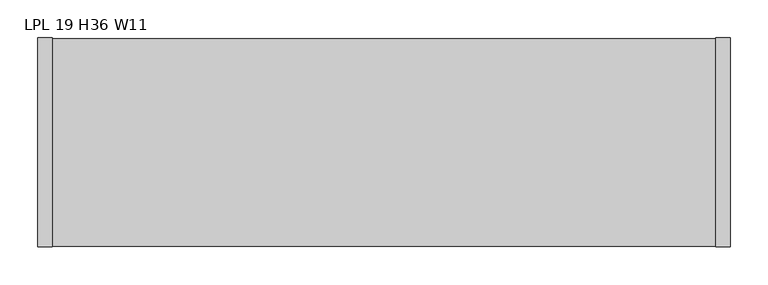
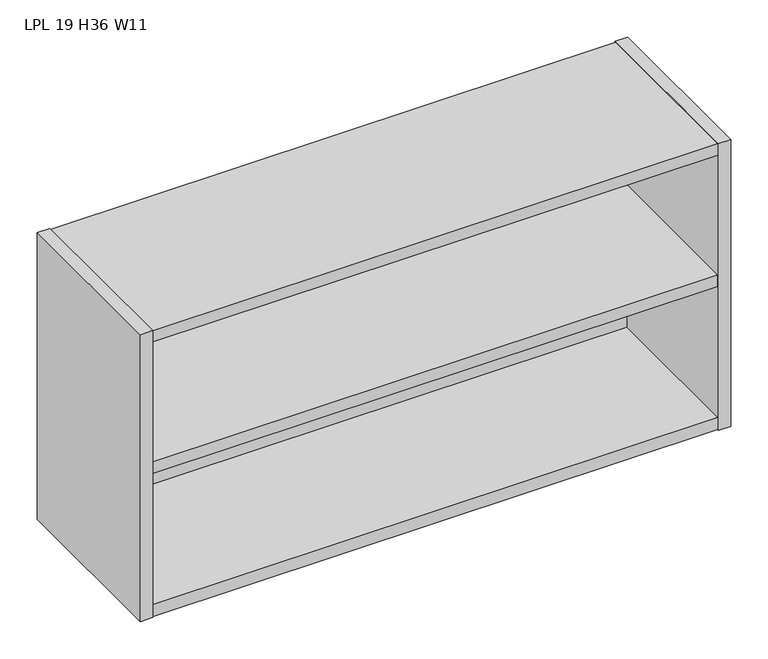
"""IFC4 building model written with IfcOpenShell, lengths in millimetres: furniture geometry, LPL 19 H36 W11."""

from ifc_helpers import new_model, si_unit, point, frame, frame_2d, origin, place, context, project, spatial, polyline, circle_curve, trimmed, segment, composite_curve, outline, extrude, source, transform, mapped, element, save


def lpl_19_h36_w11_7d8bed4e(model_context):
    return source(origin(), model_context, "Body", "SweptSolid", [
        extrude(outline(polyline([(894.461, -275.2344), (19.939, -275.2344), (19.939, -31.242), (894.461, -31.242), (894.461, -275.2344)])), frame((0.0, 0.0, 1924.05), z_axis=(0.0, 0.0, 1.0), x_axis=(1.0, 0.0, 0.0)), (0.0, 0.0, 1.0), 19.304),
        extrude(outline(polyline([(19.304, -276.225), (0.0, -276.225), (0.0, 0.0), (19.304, 0.0), (19.304, -276.225)])), frame((0.0, 0.0, 1689.1), z_axis=(0.0, 0.0, 1.0), x_axis=(1.0, 0.0, 0.0)), (0.0, 0.0, 1.0), 469.9),
        extrude(outline(composite_curve([segment(polyline([(-276.225, 1689.1), (-276.225, 2159.0), (0.0, 2159.0), (0.0, 2075.942), (-8.7634487, 2075.942)]), True, "CONTINUOUS"), segment(trimmed(circle_curve(frame_2d((-8.7634487, 2072.7674487)), 3.1745513), [point((-8.7634487, 2075.942))], [point((-11.938, 2072.7674487))], True, "CARTESIAN"), True, "CONTINUOUS"), segment(polyline([(-11.938, 2072.7674487), (-11.938, 1971.167)]), True, "CONTINUOUS"), segment(trimmed(circle_curve(frame_2d((-8.763, 1971.167)), 3.175), [point((-11.938, 1971.167))], [point((-8.763, 1967.992))], True, "CARTESIAN"), True, "CONTINUOUS"), segment(polyline([(-8.763, 1967.992), (0.0, 1967.992), (0.0, 1689.1), (-276.225, 1689.1)]), True, "CONTINUOUS")], self_intersect=False)), frame((895.096, 0.0, 0.0), z_axis=(1.0, 0.0, 0.0), x_axis=(0.0, 1.0, 0.0)), (0.0, 0.0, 1.0), 19.304),
        extrude(outline(polyline([(895.096, -275.2344), (19.304, -275.2344), (19.304, -0.9906), (895.096, -0.9906), (895.096, -275.2344)])), frame((0.0, 0.0, 1690.0906), z_axis=(0.0, 0.0, 1.0), x_axis=(1.0, 0.0, 0.0)), (0.0, 0.0, 1.0), 19.304),
        extrude(outline(polyline([(895.096, -11.938), (895.096, -31.242), (19.304, -31.242), (19.304, -11.938), (895.096, -11.938)])), frame((0.0, 0.0, 1709.3946), z_axis=(0.0, 0.0, 1.0), x_axis=(1.0, 0.0, 0.0)), (0.0, 0.0, 1.0), 430.3014),
        extrude(outline(polyline([(895.096, -275.2344), (19.304, -275.2344), (19.304, -0.9906), (895.096, -0.9906), (895.096, -275.2344)])), frame((0.0, 0.0, 2139.696), z_axis=(0.0, 0.0, 1.0), x_axis=(1.0, 0.0, 0.0)), (0.0, 0.0, 1.0), 18.3134),
    ])


if __name__ == "__main__":
    model = new_model("IFC4")
    model_context = context("Model", 3, world=origin())
    ifc_project = project(units=[si_unit("LENGTHUNIT", "METRE", prefix="MILLI")], contexts=[model_context])
    site = spatial("IfcSite", under=ifc_project)
    building = spatial("IfcBuilding", under=site)
    placement = place(None, origin())
    lpl_19_h36_w11_shape = lpl_19_h36_w11_7d8bed4e(model_context)
    element("IfcFurniture", 1, ObjectType="LPL 19 H36 W11", at=placement, inside=building, context=model_context, shape_type="MappedRepresentation", body=[
        mapped(lpl_19_h36_w11_shape, transform((0.0, 0.0, 0.0), x_axis=(1.0, 0.0, 0.0), y_axis=(0.0, 1.0, 0.0), z_axis=(0.0, 0.0, 1.0))),
    ])
    save(model, "model.ifc")
